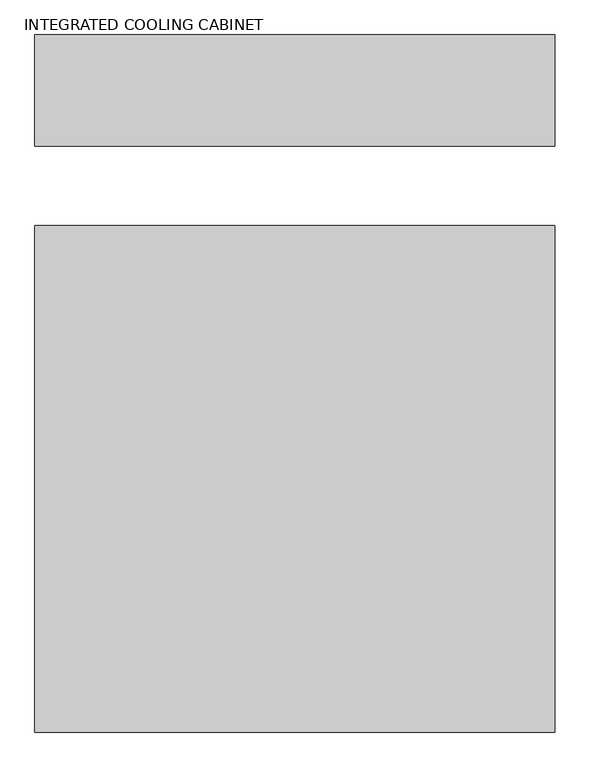
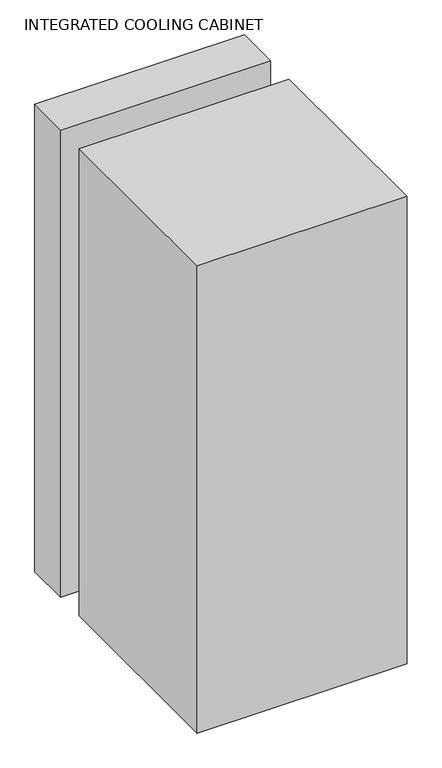
"""IFC4 building model written with IfcOpenShell, lengths in millimetres: proxy geometry, INTEGRATED COOLING CABINET."""

from ifc_helpers import new_model, si_unit, origin, origin_with_axes, place, context, project, spatial, polyline, outline, extrude, source, transform, mapped, element, save


def integrated_cooling_cabinet_cde525ed(model_context):
    return source(origin(), model_context, "Body", "SweptSolid", [
        extrude(outline(polyline([(418.998324, 127.0), (-410.998356, 127.0), (-410.998356, 304.8), (418.998324, 304.8), (418.998324, 127.0)])), origin_with_axes(), (0.0, 0.0, 1.0), 1955.00625),
        extrude(outline(polyline([(418.998324, 0.0), (418.998324, -808.4967542), (-410.998356, -808.4967542), (-410.998356, 0.0), (418.998324, 0.0)])), origin_with_axes(), (0.0, 0.0, 1.0), 1955.00625),
    ])


if __name__ == "__main__":
    model = new_model("IFC4")
    model_context = context("Model", 3, world=origin())
    ifc_project = project(units=[si_unit("LENGTHUNIT", "METRE", prefix="MILLI")], contexts=[model_context])
    site = spatial("IfcSite", under=ifc_project)
    building = spatial("IfcBuilding", under=site)
    placement = place(None, origin())
    integrated_cooling_cabinet_shape = integrated_cooling_cabinet_cde525ed(model_context)
    element("IfcBuildingElementProxy", 1, Name="INTEGRATED COOLING CABINET", ObjectType="INTEGRATED COOLING CABINET", at=placement, inside=building, context=model_context, shape_type="MappedRepresentation", body=[
        mapped(integrated_cooling_cabinet_shape, transform((0.0, 0.0, 0.0), x_axis=(1.0, 0.0, 0.0), y_axis=(0.0, 1.0, 0.0), z_axis=(0.0, 0.0, 1.0))),
    ])
    save(model, "model.ifc")
